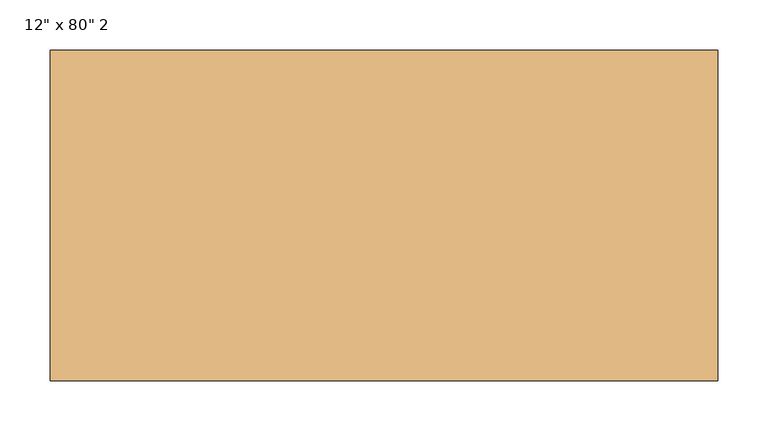
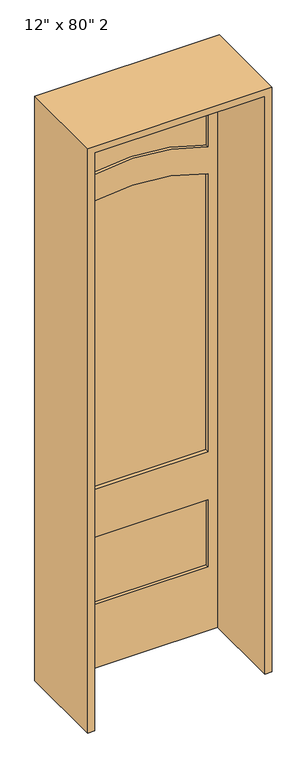
"""IFC4 building model written with IfcOpenShell, lengths in millimetres: door geometry."""

from ifc_helpers import new_model, si_unit, point, frame, frame_2d, origin, place, context, project, spatial, polyline, circle_curve, trimmed, segment, composite_curve, outline, extrude, source, transform, mapped, element, save


def door_4e4ecd1c(model_context):
    return source(origin(), model_context, "Body", "SweptSolid", [
        extrude(outline(polyline([(269.875, 137.0541667), (-269.875, 137.0541667), (-269.875, 148.6958333), (269.875, 148.6958333), (269.875, 137.0541667)])), frame((0.0, 0.0, 241.3), z_axis=(0.0, 0.0, 1.0), x_axis=(1.0, 0.0, 0.0)), (0.0, 0.0, 1.0), 254.0),
        extrude(outline(composite_curve([segment(polyline([(1828.8, 269.875), (2063.75, 269.875), (2063.75, -269.875), (1828.8, -269.875)]), True, "CONTINUOUS"), segment(trimmed(circle_curve(frame_2d((1137.3445313, 0.0)), 742.2554688), [point((1828.8, -269.875))], [point((1828.8, 269.875))], True, "CARTESIAN"), True, "CONTINUOUS")], self_intersect=False)), frame((0.0, 137.0541667, 0.0), z_axis=(0.0, 1.0, 0.0), x_axis=(0.0, 0.0, 1.0)), (0.0, 0.0, 1.0), 11.6416667),
        extrude(outline(polyline([(2184.4, -304.8), (0.0, -304.8), (0.0, 304.8), (2184.4, 304.8), (2184.4, -304.8)]), holes=[composite_curve([segment(polyline([(676.275, -269.875), (1727.2, -269.875)]), True, "CONTINUOUS"), segment(trimmed(circle_curve(frame_2d((1035.7445313, 0.0)), 742.2554688), [point((1727.2, -269.875))], [point((1727.2, 269.875))], True, "CARTESIAN"), True, "CONTINUOUS"), segment(polyline([(1727.2, 269.875), (676.275, 269.875), (676.275, -269.875)]), True, "CONTINUOUS")], self_intersect=False), polyline([(495.3, -269.875), (495.3, 269.875), (241.3, 269.875), (241.3, -269.875), (495.3, -269.875)]), composite_curve([segment(polyline([(2063.75, -269.875), (2063.75, 269.875), (1828.8, 269.875)]), True, "CONTINUOUS"), segment(trimmed(circle_curve(frame_2d((1137.3445313, 0.0)), 742.2554687), [point((1828.8, 269.875))], [point((1828.8, -269.875))], False, "CARTESIAN"), True, "CONTINUOUS"), segment(polyline([(1828.8, -269.875), (2063.75, -269.875)]), True, "CONTINUOUS")], self_intersect=False)]), frame((0.0, 125.4125, 0.0), z_axis=(0.0, 1.0, 0.0), x_axis=(0.0, 0.0, 1.0)), (0.0, 0.0, 1.0), 34.925),
        extrude(outline(polyline([(0.0, 304.8), (0.0, 330.2), (2209.8, 330.2), (2209.8, -330.2), (0.0, -330.2), (0.0, -304.8), (2184.4, -304.8), (2184.4, 304.8), (0.0, 304.8)])), frame((0.0, -166.6875, 0.0), z_axis=(0.0, 1.0, 0.0), x_axis=(0.0, 0.0, 1.0)), (0.0, 0.0, 1.0), 327.025),
        extrude(outline(composite_curve([segment(polyline([(676.275, -269.875), (676.275, 269.875), (1727.2, 269.875)]), True, "CONTINUOUS"), segment(trimmed(circle_curve(frame_2d((1035.7445313, 0.0)), 742.2554688), [point((1727.2, 269.875))], [point((1727.2, -269.875))], False, "CARTESIAN"), True, "CONTINUOUS"), segment(polyline([(1727.2, -269.875), (676.275, -269.875)]), True, "CONTINUOUS")], self_intersect=False)), frame((0.0, 139.3825, 0.0), z_axis=(0.0, 1.0, 0.0), x_axis=(0.0, 0.0, 1.0)), (0.0, 0.0, 1.0), 6.985),
    ])


if __name__ == "__main__":
    model = new_model("IFC4")
    model_context = context("Model", 3, world=origin())
    ifc_project = project(units=[si_unit("LENGTHUNIT", "METRE", prefix="MILLI")], contexts=[model_context])
    site = spatial("IfcSite", under=ifc_project)
    building = spatial("IfcBuilding", under=site)
    placement = place(None, origin())
    door_shape = door_4e4ecd1c(model_context)
    element("IfcDoor", 1, ObjectType="12\" x 80\" 2", at=placement, inside=building, context=model_context, shape_type="MappedRepresentation", body=[
        mapped(door_shape, transform((0.0, 0.0, 0.0), x_axis=(1.0, 0.0, 0.0), y_axis=(0.0, 1.0, 0.0), z_axis=(0.0, 0.0, 1.0))),
    ])
    save(model, "model.ifc")
